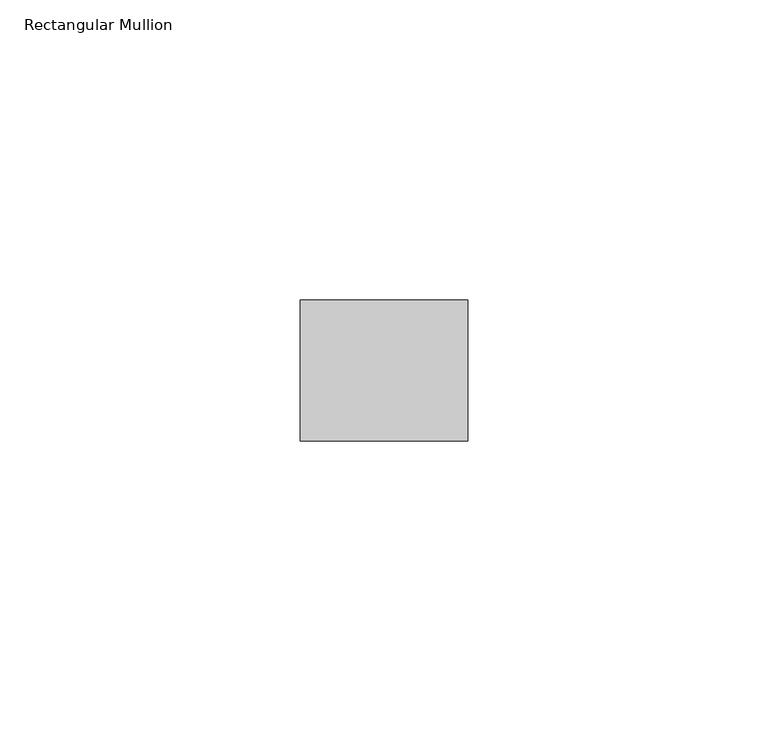
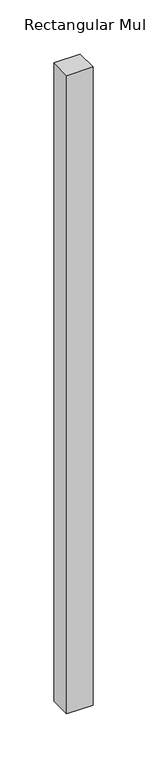
"""IFC4 building model written with IfcOpenShell, lengths in millimetres: member geometry, Rectangular Mullion."""

from ifc_helpers import new_model, si_unit, frame, origin, place, context, project, spatial, polyline, outline, extrude, source, transform, mapped, element, save


def rectangular_mullion_94569fd9(model_context):
    return source(origin(), model_context, "Body", "SweptSolid", [
        extrude(outline(polyline([(0.0, -11.7474999), (-27.94, -11.7474999), (-27.94, 11.7474999), (0.0, 11.7474999), (0.0, -11.7474999)])), frame((0.0, 0.0, -718.061472), z_axis=(0.0, 0.0, 1.0), x_axis=(1.0, 0.0, 0.0)), (0.0, 0.0, 1.0), 718.061472),
    ])


if __name__ == "__main__":
    model = new_model("IFC4")
    model_context = context("Model", 3, world=origin())
    ifc_project = project(units=[si_unit("LENGTHUNIT", "METRE", prefix="MILLI")], contexts=[model_context])
    site = spatial("IfcSite", under=ifc_project)
    building = spatial("IfcBuilding", under=site)
    placement = place(None, origin())
    rectangular_mullion_shape = rectangular_mullion_94569fd9(model_context)
    element("IfcMember", 1, ObjectType="Rectangular Mullion", at=placement, inside=building, context=model_context, shape_type="MappedRepresentation", body=[
        mapped(rectangular_mullion_shape, transform((0.0, 0.0, 0.0), x_axis=(1.0, 0.0, 0.0), y_axis=(0.0, 1.0, 0.0), z_axis=(0.0, 0.0, 1.0))),
    ])
    save(model, "model.ifc")
